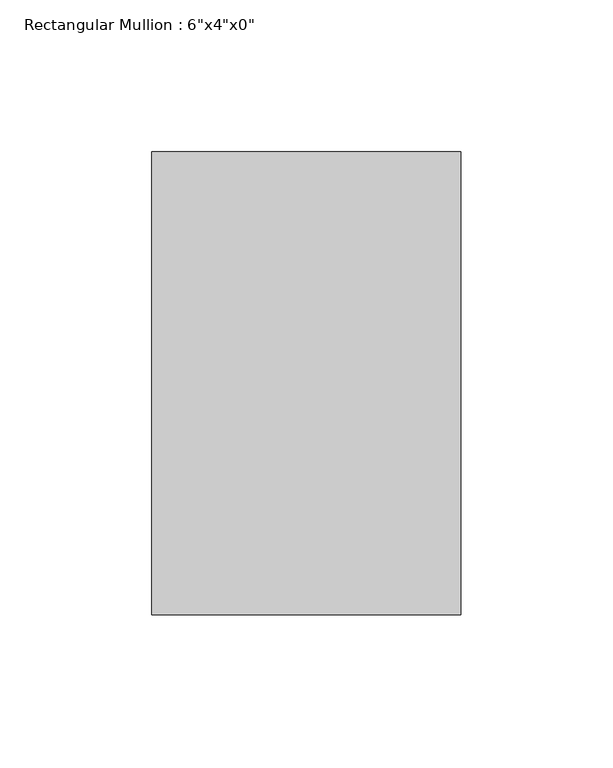
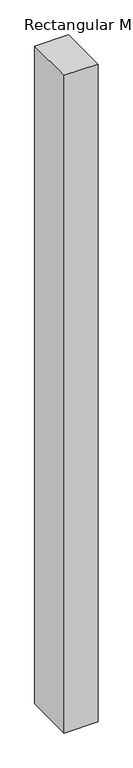
"""IFC4 building model written with IfcOpenShell, lengths in millimetres: member geometry."""

from ifc_helpers import new_model, si_unit, frame, origin, place, context, project, spatial, polyline, outline, extrude, source, transform, mapped, element, save


def member_567994e2(model_context):
    return source(origin(), model_context, "Body", "SweptSolid", [
        extrude(outline(polyline([(0.0, 76.2), (0.0, -76.2), (-101.6, -76.2), (-101.6, 76.2), (0.0, 76.2)])), frame((0.0, 0.0, -2076.45), z_axis=(0.0, 0.0, 1.0), x_axis=(1.0, 0.0, 0.0)), (0.0, 0.0, 1.0), 2076.45),
    ])


if __name__ == "__main__":
    model = new_model("IFC4")
    model_context = context("Model", 3, world=origin())
    ifc_project = project(units=[si_unit("LENGTHUNIT", "METRE", prefix="MILLI")], contexts=[model_context])
    site = spatial("IfcSite", under=ifc_project)
    building = spatial("IfcBuilding", under=site)
    placement = place(None, origin())
    member_shape = member_567994e2(model_context)
    element("IfcMember", 1, ObjectType="Rectangular Mullion : 6\"x4\"x0\"", at=placement, inside=building, context=model_context, shape_type="MappedRepresentation", body=[
        mapped(member_shape, transform((0.0, 0.0, 0.0), x_axis=(1.0, 0.0, 0.0), y_axis=(0.0, 1.0, 0.0), z_axis=(0.0, 0.0, 1.0))),
    ])
    save(model, "model.ifc")
